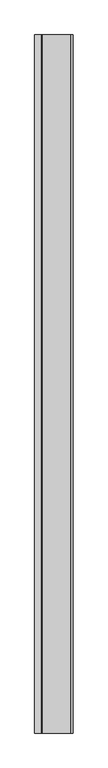
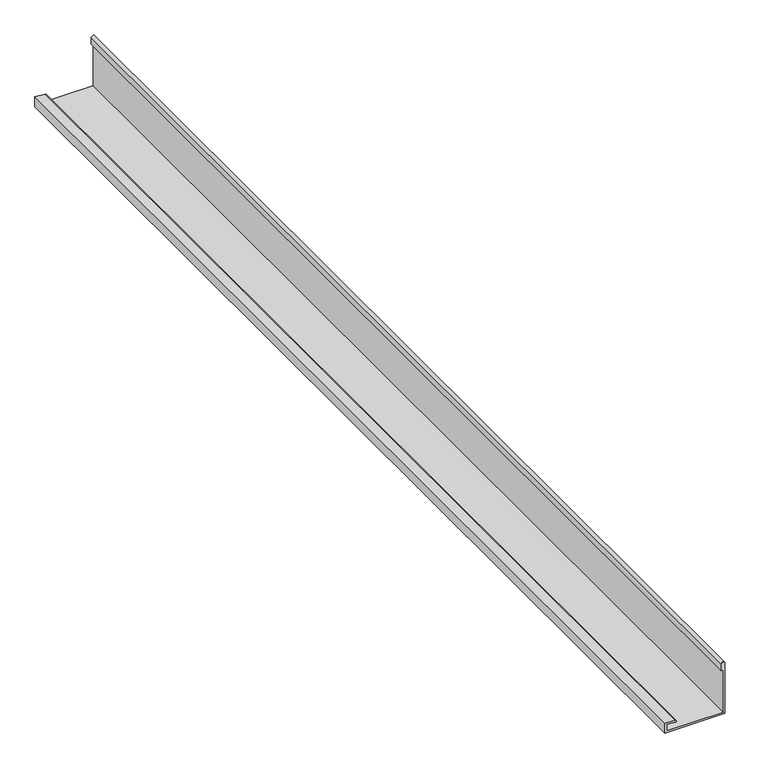
"""IFC4 building model written with IfcOpenShell, lengths in millimetres: proxy geometry."""

from ifc_helpers import new_model, si_unit, point, frame, frame_2d, origin, place, context, project, spatial, polyline, circle_curve, trimmed, segment, composite_curve, outline, extrude, source, transform, mapped, element, save


def generic_models_0a2ba5ff(model_context):
    return source(origin(), model_context, "Body", "SweptSolid", [
        extrude(outline(composite_curve([segment(polyline([(3799.2452806, -1331.2862215), (3799.2452806, -1161.2862215), (3949.6655464, -1161.2862215)]), True, "CONTINUOUS"), segment(trimmed(circle_curve(frame_2d((3949.6655464, -1166.2862215)), 5.0), [point((3949.6655464, -1161.2862215))], [point((3949.6655464, -1171.2862215))], False, "CARTESIAN"), True, "CONTINUOUS"), segment(polyline([(3949.6655464, -1171.2862215), (3929.6655464, -1171.2862215), (3929.6655464, -1166.2862215), (3804.2452806, -1166.2862215), (3804.2452806, -1326.2862215), (3823.7887381, -1326.2862215), (3821.6496348, -1301.8361593)]), True, "CONTINUOUS"), segment(trimmed(circle_curve(frame_2d((3824.1401216, -1301.61827)), 2.5), [point((3821.6496348, -1301.8361593))], [point((3826.6306083, -1301.4003806))], False, "CARTESIAN"), True, "CONTINUOUS"), segment(polyline([(3826.6306083, -1301.4003806), (3829.2452806, -1331.2862215), (3799.2452806, -1331.2862215)]), True, "CONTINUOUS")], self_intersect=False)), frame((0.0, -4546.9083503, 0.0), z_axis=(0.0, 1.0, 0.0), x_axis=(0.0, 0.0, 1.0)), (0.0, 0.0, 1.0), 3090.0),
    ])


if __name__ == "__main__":
    model = new_model("IFC4")
    model_context = context("Model", 3, world=origin())
    ifc_project = project(units=[si_unit("LENGTHUNIT", "METRE", prefix="MILLI")], contexts=[model_context])
    site = spatial("IfcSite", under=ifc_project)
    building = spatial("IfcBuilding", under=site)
    placement = place(None, origin())
    generic_models_shape = generic_models_0a2ba5ff(model_context)
    element("IfcBuildingElementProxy", 1, Name="Generic Models", at=placement, inside=building, context=model_context, shape_type="MappedRepresentation", body=[
        mapped(generic_models_shape, transform((0.0, 0.0, 0.0), x_axis=(1.0, 0.0, 0.0), y_axis=(0.0, 1.0, 0.0), z_axis=(0.0, 0.0, 1.0))),
    ])
    save(model, "model.ifc")
